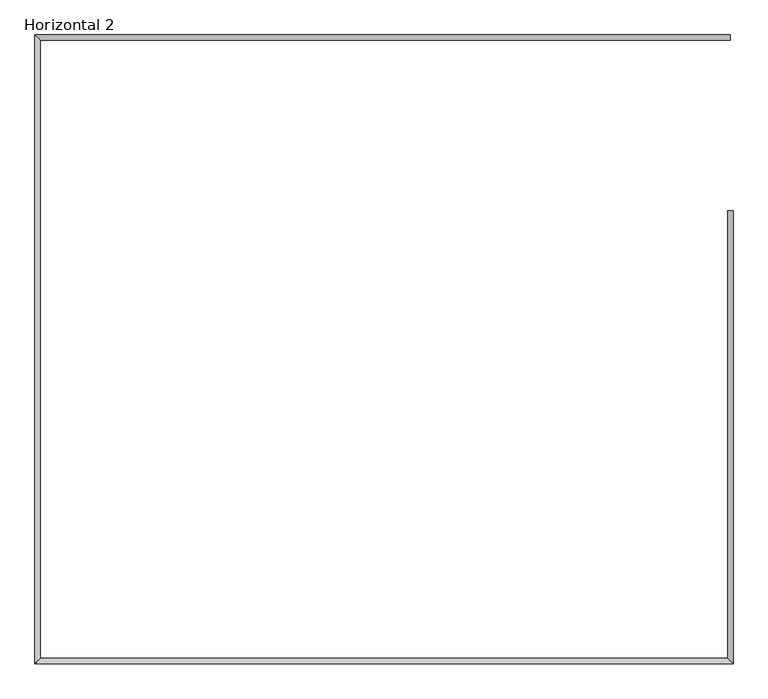
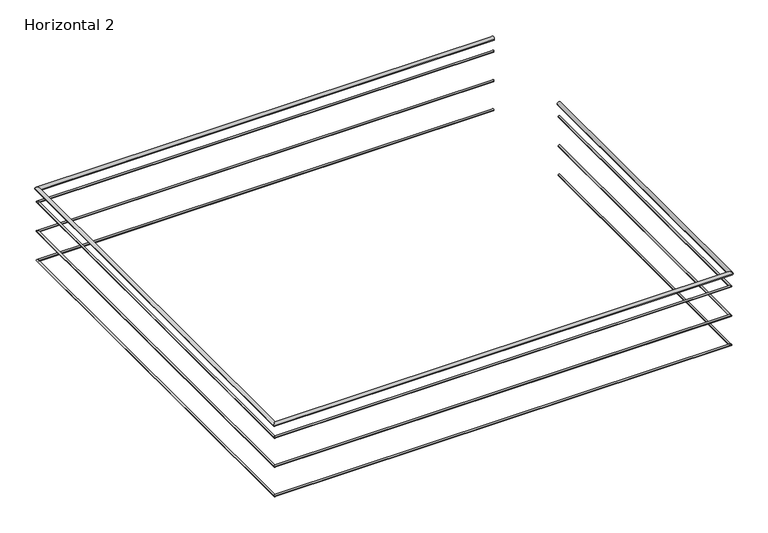
"""IFC4 building model written with IfcOpenShell, lengths in millimetres: railing geometry, Horizontal 2."""

from ifc_helpers import new_model, si_unit, frame, origin, place, context, project, spatial, circle_curve, ellipse_curve, source, transform, mapped, element, save
from ifc_brep_helpers import plane_surface, cylinder_surface, advanced_brep


def horizontal_2_63605923(model_context):
    return source(origin(), model_context, "Body", "AdvancedBrep", [
        advanced_brep(
        [(27520.0, 3500.0, 4180.0), (27480.0, 3500.0, 4180.0), (27480.0, 268.9503168, 4180.0), (27520.0, 228.9503168, 4180.0), (22520.0, 268.9503168, 4180.0), (22480.0, 228.9503168, 4180.0), (22520.0, 4728.9503168, 4180.0), (22480.0, 4768.9503168, 4180.0), (27500.0, 4768.9503168, 4180.0), (27500.0, 4728.9503168, 4180.0)],
        [
            (0, 1, circle_curve(frame((27500.0, 3500.0, 4180.0), z_axis=(0.0, 1.0, 0.0), x_axis=(-1.0, 0.0, 0.0)), 20.0)),
            (1, 0, circle_curve(frame((27500.0, 3500.0, 4180.0), z_axis=(0.0, 1.0, 0.0), x_axis=(-1.0, 0.0, 0.0)), 20.0)),
            (1, 2),
            (2, 3, ellipse_curve(frame((27500.0, 248.9503168, 4180.0), z_axis=(0.7071067811865491, 0.7071067811865459, 0.0), x_axis=(-0.7071067811865459, 0.7071067811865491, 0.0)), 28.2842712, 20.0)),
            (3, 0),
            (3, 2, ellipse_curve(frame((27500.0, 248.9503168, 4180.0), z_axis=(0.7071067811865491, 0.7071067811865459, 0.0), x_axis=(-0.7071067811865459, 0.7071067811865491, 0.0)), 28.2842712, 20.0)),
            (2, 4),
            (4, 5, ellipse_curve(frame((22500.0, 248.9503168, 4180.0), z_axis=(0.7071067811865456, -0.7071067811865495, 0.0), x_axis=(0.7071067811865495, 0.7071067811865456, 0.0)), 28.2842712, 20.0)),
            (5, 3),
            (5, 4, ellipse_curve(frame((22500.0, 248.9503168, 4180.0), z_axis=(0.7071067811865456, -0.7071067811865495, 0.0), x_axis=(0.7071067811865495, 0.7071067811865456, 0.0)), 28.2842712, 20.0)),
            (4, 6),
            (6, 7, ellipse_curve(frame((22500.0, 4748.9503168, 4180.0), z_axis=(-0.7071067811865496, -0.7071067811865455, 0.0), x_axis=(0.7071067811865455, -0.7071067811865496, 0.0)), 28.2842712, 20.0)),
            (7, 5),
            (7, 6, ellipse_curve(frame((22500.0, 4748.9503168, 4180.0), z_axis=(-0.7071067811865496, -0.7071067811865455, 0.0), x_axis=(0.7071067811865455, -0.7071067811865496, 0.0)), 28.2842712, 20.0)),
            (8, 9, circle_curve(frame((27500.0, 4748.9503168, 4180.0), z_axis=(1.0, 0.0, 0.0), x_axis=(0.0, -1.0, 0.0)), 20.0)),
            (9, 8, circle_curve(frame((27500.0, 4748.9503168, 4180.0), z_axis=(1.0, 0.0, 0.0), x_axis=(0.0, -1.0, 0.0)), 20.0)),
            (6, 9),
            (8, 7),
        ],
        [
            plane_surface(frame((27500.0, 3500.0, 4180.0), z_axis=(0.0, 1.0, 0.0), x_axis=(0.0, 0.0, -1.0))),
            cylinder_surface(frame((27500.0, 3500.0, 4180.0), z_axis=(0.0, 1.0, 0.0), x_axis=(-1.0, 0.0, 0.0)), 20.0),
            cylinder_surface(frame((27500.0, 248.9503168, 4180.0), z_axis=(1.0, 0.0, 0.0), x_axis=(0.0, 1.0, 0.0)), 20.0),
            cylinder_surface(frame((22500.0, 248.9503168, 4180.0), z_axis=(0.0, -1.0, 0.0), x_axis=(1.0, 0.0, 0.0)), 20.0),
            plane_surface(frame((27500.0, 4748.9503168, 4180.0), z_axis=(1.0, 0.0, 0.0), x_axis=(0.0, 1.0, 0.0))),
            cylinder_surface(frame((22500.0, 4748.9503168, 4180.0), z_axis=(-1.0, 0.0, 0.0), x_axis=(0.0, -1.0, 0.0)), 20.0),
        ],
        [
            (0, [[1, 2]]),
            (1, [[-2, 3, 4, 5]]),
            (1, [[-1, -5, 6, -3]]),
            (2, [[-4, 7, 8, 9]]),
            (2, [[-6, -9, 10, -7]]),
            (3, [[-8, 11, 12, 13]]),
            (3, [[-10, -13, 14, -11]]),
            (4, [[15, 16]]),
            (5, [[-12, 17, -15, 18]]),
            (5, [[-14, -18, -16, -17]]),
        ],
    ),
        advanced_brep(
        [(27510.0, 3500.0, 4030.0), (27490.0, 3500.0, 4030.0), (27490.0, 258.9503168, 4030.0), (27510.0, 238.9503168, 4030.0), (22510.0, 258.9503168, 4030.0), (22490.0, 238.9503168, 4030.0), (22510.0, 4738.9503168, 4030.0), (22490.0, 4758.9503168, 4030.0), (27500.0, 4758.9503168, 4030.0), (27500.0, 4738.9503168, 4030.0)],
        [
            (0, 1, circle_curve(frame((27500.0, 3500.0, 4030.0), z_axis=(0.0, 1.0, 0.0), x_axis=(-1.0, 0.0, 0.0)), 10.0)),
            (1, 0, circle_curve(frame((27500.0, 3500.0, 4030.0), z_axis=(0.0, 1.0, 0.0), x_axis=(-1.0, 0.0, 0.0)), 10.0)),
            (1, 2),
            (2, 3, ellipse_curve(frame((27500.0, 248.9503168, 4030.0), z_axis=(0.7071067811865491, 0.7071067811865459, 0.0), x_axis=(-0.7071067811865459, 0.7071067811865491, 0.0)), 14.1421356, 10.0)),
            (3, 0),
            (3, 2, ellipse_curve(frame((27500.0, 248.9503168, 4030.0), z_axis=(0.7071067811865491, 0.7071067811865459, 0.0), x_axis=(-0.7071067811865459, 0.7071067811865491, 0.0)), 14.1421356, 10.0)),
            (2, 4),
            (4, 5, ellipse_curve(frame((22500.0, 248.9503168, 4030.0), z_axis=(0.7071067811865456, -0.7071067811865495, 0.0), x_axis=(0.7071067811865495, 0.7071067811865456, 0.0)), 14.1421356, 10.0)),
            (5, 3),
            (5, 4, ellipse_curve(frame((22500.0, 248.9503168, 4030.0), z_axis=(0.7071067811865456, -0.7071067811865495, 0.0), x_axis=(0.7071067811865495, 0.7071067811865456, 0.0)), 14.1421356, 10.0)),
            (4, 6),
            (6, 7, ellipse_curve(frame((22500.0, 4748.9503168, 4030.0), z_axis=(-0.7071067811865496, -0.7071067811865455, 0.0), x_axis=(0.7071067811865455, -0.7071067811865496, 0.0)), 14.1421356, 10.0)),
            (7, 5),
            (7, 6, ellipse_curve(frame((22500.0, 4748.9503168, 4030.0), z_axis=(-0.7071067811865496, -0.7071067811865455, 0.0), x_axis=(0.7071067811865455, -0.7071067811865496, 0.0)), 14.1421356, 10.0)),
            (8, 9, circle_curve(frame((27500.0, 4748.9503168, 4030.0), z_axis=(1.0, 0.0, 0.0), x_axis=(0.0, -1.0, 0.0)), 10.0)),
            (9, 8, circle_curve(frame((27500.0, 4748.9503168, 4030.0), z_axis=(1.0, 0.0, 0.0), x_axis=(0.0, -1.0, 0.0)), 10.0)),
            (6, 9),
            (8, 7),
        ],
        [
            plane_surface(frame((27500.0, 3500.0, 4030.0), z_axis=(0.0, 1.0, 0.0), x_axis=(0.0, 0.0, -1.0))),
            cylinder_surface(frame((27500.0, 3500.0, 4030.0), z_axis=(0.0, 1.0, 0.0), x_axis=(-1.0, 0.0, 0.0)), 10.0),
            cylinder_surface(frame((27500.0, 248.9503168, 4030.0), z_axis=(1.0, 0.0, 0.0), x_axis=(0.0, 1.0, 0.0)), 10.0),
            cylinder_surface(frame((22500.0, 248.9503168, 4030.0), z_axis=(0.0, -1.0, 0.0), x_axis=(1.0, 0.0, 0.0)), 10.0),
            plane_surface(frame((27500.0, 4748.9503168, 4030.0), z_axis=(1.0, 0.0, 0.0), x_axis=(0.0, 1.0, 0.0))),
            cylinder_surface(frame((22500.0, 4748.9503168, 4030.0), z_axis=(-1.0, 0.0, 0.0), x_axis=(0.0, -1.0, 0.0)), 10.0),
        ],
        [
            (0, [[1, 2]]),
            (1, [[-2, 3, 4, 5]]),
            (1, [[-1, -5, 6, -3]]),
            (2, [[-4, 7, 8, 9]]),
            (2, [[-6, -9, 10, -7]]),
            (3, [[-8, 11, 12, 13]]),
            (3, [[-10, -13, 14, -11]]),
            (4, [[15, 16]]),
            (5, [[-12, 17, -15, 18]]),
            (5, [[-14, -18, -16, -17]]),
        ],
    ),
        advanced_brep(
        [(27510.0, 3500.0, 3690.0), (27490.0, 3500.0, 3690.0), (27510.0, 238.9503168, 3690.0), (27490.0, 258.9503168, 3690.0), (22490.0, 238.9503168, 3690.0), (22510.0, 258.9503168, 3690.0), (22490.0, 4758.9503168, 3690.0), (22510.0, 4738.9503168, 3690.0), (27500.0, 4758.9503168, 3690.0), (27500.0, 4738.9503168, 3690.0)],
        [
            (0, 1, circle_curve(frame((27500.0, 3500.0, 3690.0), z_axis=(0.0, 1.0, 0.0), x_axis=(-1.0, 0.0, 0.0)), 10.0)),
            (1, 0, circle_curve(frame((27500.0, 3500.0, 3690.0), z_axis=(0.0, 1.0, 0.0), x_axis=(-1.0, 0.0, 0.0)), 10.0)),
            (0, 2),
            (2, 3, ellipse_curve(frame((27500.0, 248.9503168, 3690.0), z_axis=(0.7071067811865491, 0.7071067811865459, 0.0), x_axis=(-0.7071067811865459, 0.7071067811865491, 0.0)), 14.1421356, 10.0)),
            (3, 1),
            (3, 2, ellipse_curve(frame((27500.0, 248.9503168, 3690.0), z_axis=(0.7071067811865491, 0.7071067811865459, 0.0), x_axis=(-0.7071067811865459, 0.7071067811865491, 0.0)), 14.1421356, 10.0)),
            (2, 4),
            (4, 5, ellipse_curve(frame((22500.0, 248.9503168, 3690.0), z_axis=(0.7071067811865456, -0.7071067811865495, 0.0), x_axis=(0.7071067811865495, 0.7071067811865456, 0.0)), 14.1421356, 10.0)),
            (5, 3),
            (5, 4, ellipse_curve(frame((22500.0, 248.9503168, 3690.0), z_axis=(0.7071067811865456, -0.7071067811865495, 0.0), x_axis=(0.7071067811865495, 0.7071067811865456, 0.0)), 14.1421356, 10.0)),
            (4, 6),
            (6, 7, ellipse_curve(frame((22500.0, 4748.9503168, 3690.0), z_axis=(-0.7071067811865496, -0.7071067811865455, 0.0), x_axis=(0.7071067811865455, -0.7071067811865496, 0.0)), 14.1421356, 10.0)),
            (7, 5),
            (7, 6, ellipse_curve(frame((22500.0, 4748.9503168, 3690.0), z_axis=(-0.7071067811865496, -0.7071067811865455, 0.0), x_axis=(0.7071067811865455, -0.7071067811865496, 0.0)), 14.1421356, 10.0)),
            (8, 9, circle_curve(frame((27500.0, 4748.9503168, 3690.0), z_axis=(1.0, 0.0, 0.0), x_axis=(0.0, -1.0, 0.0)), 10.0)),
            (9, 8, circle_curve(frame((27500.0, 4748.9503168, 3690.0), z_axis=(1.0, 0.0, 0.0), x_axis=(0.0, -1.0, 0.0)), 10.0)),
            (6, 8),
            (9, 7),
        ],
        [
            plane_surface(frame((27500.0, 3500.0, 3690.0), z_axis=(0.0, 1.0, 0.0), x_axis=(0.0, 0.0, -1.0))),
            cylinder_surface(frame((27500.0, 3500.0, 3690.0), z_axis=(0.0, 1.0, 0.0), x_axis=(-1.0, 0.0, 0.0)), 10.0),
            cylinder_surface(frame((27500.0, 248.9503168, 3690.0), z_axis=(1.0, 0.0, 0.0), x_axis=(0.0, 1.0, 0.0)), 10.0),
            cylinder_surface(frame((22500.0, 248.9503168, 3690.0), z_axis=(0.0, -1.0, 0.0), x_axis=(1.0, 0.0, 0.0)), 10.0),
            plane_surface(frame((27500.0, 4748.9503168, 3690.0), z_axis=(1.0, 0.0, 0.0), x_axis=(0.0, 1.0, 0.0))),
            cylinder_surface(frame((22500.0, 4748.9503168, 3690.0), z_axis=(-1.0, 0.0, 0.0), x_axis=(0.0, -1.0, 0.0)), 10.0),
        ],
        [
            (0, [[1, 2]]),
            (1, [[-1, 3, 4, 5]]),
            (1, [[-2, -5, 6, -3]]),
            (2, [[-4, 7, 8, 9]]),
            (2, [[-6, -9, 10, -7]]),
            (3, [[-8, 11, 12, 13]]),
            (3, [[-10, -13, 14, -11]]),
            (4, [[15, 16]]),
            (5, [[-12, 17, -16, 18]]),
            (5, [[-14, -18, -15, -17]]),
        ],
    ),
        advanced_brep(
        [(27510.0, 3500.0, 3350.0), (27490.0, 3500.0, 3350.0), (27510.0, 238.9503168, 3350.0), (27490.0, 258.9503168, 3350.0), (22490.0, 238.9503168, 3350.0), (22510.0, 258.9503168, 3350.0), (22490.0, 4758.9503168, 3350.0), (22510.0, 4738.9503168, 3350.0), (27500.0, 4758.9503168, 3350.0), (27500.0, 4738.9503168, 3350.0)],
        [
            (0, 1, circle_curve(frame((27500.0, 3500.0, 3350.0), z_axis=(0.0, 1.0, 0.0), x_axis=(-1.0, 0.0, 0.0)), 10.0)),
            (1, 0, circle_curve(frame((27500.0, 3500.0, 3350.0), z_axis=(0.0, 1.0, 0.0), x_axis=(-1.0, 0.0, 0.0)), 10.0)),
            (0, 2),
            (2, 3, ellipse_curve(frame((27500.0, 248.9503168, 3350.0), z_axis=(0.7071067811865491, 0.7071067811865459, 0.0), x_axis=(-0.7071067811865459, 0.7071067811865491, 0.0)), 14.1421356, 10.0)),
            (3, 1),
            (3, 2, ellipse_curve(frame((27500.0, 248.9503168, 3350.0), z_axis=(0.7071067811865491, 0.7071067811865459, 0.0), x_axis=(-0.7071067811865459, 0.7071067811865491, 0.0)), 14.1421356, 10.0)),
            (2, 4),
            (4, 5, ellipse_curve(frame((22500.0, 248.9503168, 3350.0), z_axis=(0.7071067811865456, -0.7071067811865495, 0.0), x_axis=(0.7071067811865495, 0.7071067811865456, 0.0)), 14.1421356, 10.0)),
            (5, 3),
            (5, 4, ellipse_curve(frame((22500.0, 248.9503168, 3350.0), z_axis=(0.7071067811865456, -0.7071067811865495, 0.0), x_axis=(0.7071067811865495, 0.7071067811865456, 0.0)), 14.1421356, 10.0)),
            (4, 6),
            (6, 7, ellipse_curve(frame((22500.0, 4748.9503168, 3350.0), z_axis=(-0.7071067811865496, -0.7071067811865455, 0.0), x_axis=(0.7071067811865455, -0.7071067811865496, 0.0)), 14.1421356, 10.0)),
            (7, 5),
            (7, 6, ellipse_curve(frame((22500.0, 4748.9503168, 3350.0), z_axis=(-0.7071067811865496, -0.7071067811865455, 0.0), x_axis=(0.7071067811865455, -0.7071067811865496, 0.0)), 14.1421356, 10.0)),
            (8, 9, circle_curve(frame((27500.0, 4748.9503168, 3350.0), z_axis=(1.0, 0.0, 0.0), x_axis=(0.0, -1.0, 0.0)), 10.0)),
            (9, 8, circle_curve(frame((27500.0, 4748.9503168, 3350.0), z_axis=(1.0, 0.0, 0.0), x_axis=(0.0, -1.0, 0.0)), 10.0)),
            (6, 8),
            (9, 7),
        ],
        [
            plane_surface(frame((27500.0, 3500.0, 3350.0), z_axis=(0.0, 1.0, 0.0), x_axis=(0.0, 0.0, -1.0))),
            cylinder_surface(frame((27500.0, 3500.0, 3350.0), z_axis=(0.0, 1.0, 0.0), x_axis=(-1.0, 0.0, 0.0)), 10.0),
            cylinder_surface(frame((27500.0, 248.9503168, 3350.0), z_axis=(1.0, 0.0, 0.0), x_axis=(0.0, 1.0, 0.0)), 10.0),
            cylinder_surface(frame((22500.0, 248.9503168, 3350.0), z_axis=(0.0, -1.0, 0.0), x_axis=(1.0, 0.0, 0.0)), 10.0),
            plane_surface(frame((27500.0, 4748.9503168, 3350.0), z_axis=(1.0, 0.0, 0.0), x_axis=(0.0, 1.0, 0.0))),
            cylinder_surface(frame((22500.0, 4748.9503168, 3350.0), z_axis=(-1.0, 0.0, 0.0), x_axis=(0.0, -1.0, 0.0)), 10.0),
        ],
        [
            (0, [[1, 2]]),
            (1, [[-1, 3, 4, 5]]),
            (1, [[-2, -5, 6, -3]]),
            (2, [[-4, 7, 8, 9]]),
            (2, [[-6, -9, 10, -7]]),
            (3, [[-8, 11, 12, 13]]),
            (3, [[-10, -13, 14, -11]]),
            (4, [[15, 16]]),
            (5, [[-12, 17, -16, 18]]),
            (5, [[-14, -18, -15, -17]]),
        ],
    ),
    ])


if __name__ == "__main__":
    model = new_model("IFC4")
    model_context = context("Model", 3, world=origin())
    ifc_project = project(units=[si_unit("LENGTHUNIT", "METRE", prefix="MILLI")], contexts=[model_context])
    site = spatial("IfcSite", under=ifc_project)
    building = spatial("IfcBuilding", under=site)
    placement = place(None, origin())
    horizontal_2_shape = horizontal_2_63605923(model_context)
    element("IfcRailing", 1, ObjectType="Horizontal 2", at=placement, inside=building, context=model_context, shape_type="MappedRepresentation", body=[
        mapped(horizontal_2_shape, transform((0.0, 0.0, 0.0), x_axis=(1.0, 0.0, 0.0), y_axis=(0.0, 1.0, 0.0), z_axis=(0.0, 0.0, 1.0))),
    ])
    save(model, "model.ifc")
